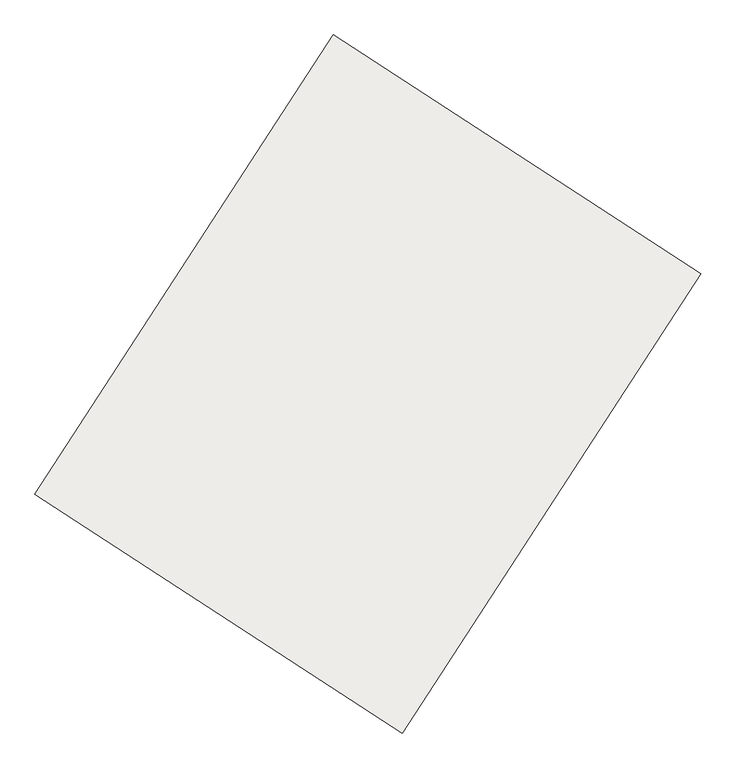
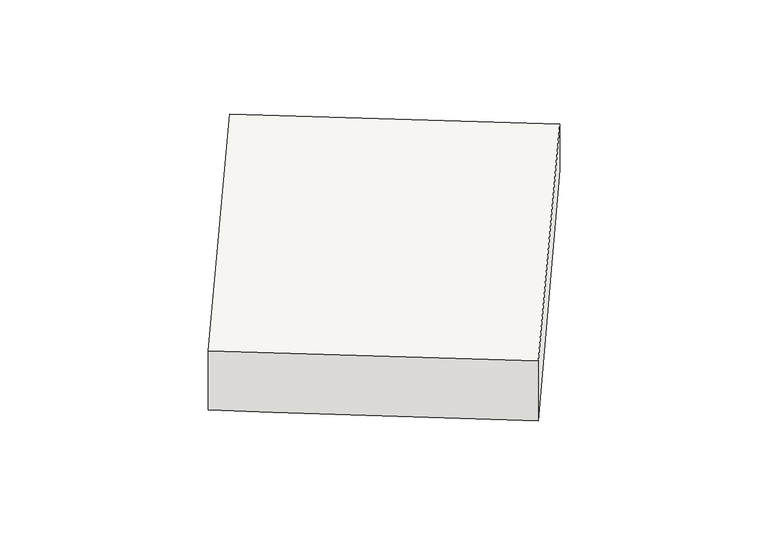
"""IFC4 building model written with IfcOpenShell, lengths in millimetres: slab geometry."""

from ifc_helpers import new_model, si_unit, origin, place, context, project, spatial, faceted_brep, source, transform, mapped, element, save


def slab_c46c6aeb(model_context):
    return source(origin(), model_context, "Body", "Brep", [
        faceted_brep([(-88462.4029018, 8818.966385, -2264.0608497), (-89021.4749417, 7958.0709386, -2264.0608497), (-88333.1302124, 7511.0546446, -2264.0608497), (-87774.0581725, 8371.9500911, -2264.0608497), (-88462.4029018, 8818.966385, -2400.6581458), (-89021.4749417, 7958.0709386, -2444.1515354), (-88887.294305, 7870.9330142, -2444.6039081), (-88333.1302124, 7511.0546446, -2446.241408), (-87774.0581725, 8371.9500911, -2402.7031904), (-88435.8601973, 8801.7293511, -2400.7476311)], [[[0, 1, 2, 3]], [[1, 0, 4, 5]], [[2, 1, 5, 6, 7]], [[3, 2, 7, 8]], [[0, 3, 8, 9, 4]], [[9, 6, 5, 4]], [[6, 9, 8, 7]]]),
    ])


if __name__ == "__main__":
    model = new_model("IFC4")
    model_context = context("Model", 3, world=origin())
    ifc_project = project(units=[si_unit("LENGTHUNIT", "METRE", prefix="MILLI")], contexts=[model_context])
    site = spatial("IfcSite", under=ifc_project)
    building = spatial("IfcBuilding", under=site)
    placement = place(None, origin())
    slab_shape = slab_c46c6aeb(model_context)
    element("IfcSlab", 1, at=placement, inside=building, context=model_context, shape_type="MappedRepresentation", body=[
        mapped(slab_shape, transform((0.0, 0.0, 0.0), x_axis=(1.0, 0.0, 0.0), y_axis=(0.0, 1.0, 0.0), z_axis=(0.0, 0.0, 1.0))),
    ])
    save(model, "model.ifc")
